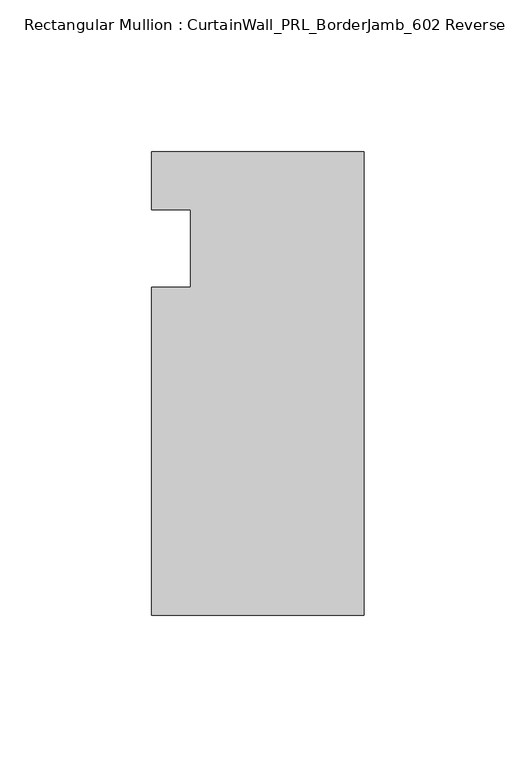
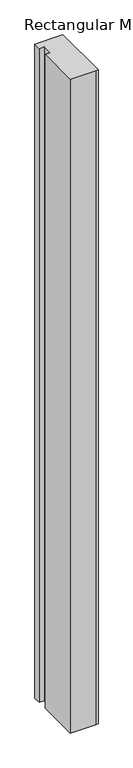
"""IFC4 building model written with IfcOpenShell, lengths in millimetres: member geometry, Rectangular Mullion : CurtainWall_PRL_BorderJamb_602 Reverse."""

from ifc_helpers import new_model, si_unit, frame, origin, place, context, project, spatial, polyline, outline, extrude, source, transform, mapped, element, save


def rectangular_mullion_curtainwall_prl_borderjamb_602_reverse_ccf2064a(model_context):
    return source(origin(), model_context, "Body", "SweptSolid", [
        extrude(outline(polyline([(-57.15, -12.7), (-57.15, 12.7), (-69.85, 12.7), (-69.85, 31.75), (-7.3958824, 31.75), (0.0, 31.75), (0.0, -120.65), (-6.35, -120.65), (-69.85, -120.65), (-69.85, -12.7), (-57.15, -12.7)])), frame((0.0, 0.0, -1727.2), z_axis=(0.0, 0.0, 1.0), x_axis=(1.0, 0.0, 0.0)), (0.0, 0.0, 1.0), 1727.2),
    ])


if __name__ == "__main__":
    model = new_model("IFC4")
    model_context = context("Model", 3, world=origin())
    ifc_project = project(units=[si_unit("LENGTHUNIT", "METRE", prefix="MILLI")], contexts=[model_context])
    site = spatial("IfcSite", under=ifc_project)
    building = spatial("IfcBuilding", under=site)
    placement = place(None, origin())
    rectangular_mullion_curtainwall_prl_borderjamb_602_reverse_shape = rectangular_mullion_curtainwall_prl_borderjamb_602_reverse_ccf2064a(model_context)
    element("IfcMember", 1, ObjectType="Rectangular Mullion : CurtainWall_PRL_BorderJamb_602 Reverse", at=placement, inside=building, context=model_context, shape_type="MappedRepresentation", body=[
        mapped(rectangular_mullion_curtainwall_prl_borderjamb_602_reverse_shape, transform((0.0, 0.0, 0.0), x_axis=(1.0, 0.0, 0.0), y_axis=(0.0, 1.0, 0.0), z_axis=(0.0, 0.0, 1.0))),
    ])
    save(model, "model.ifc")
